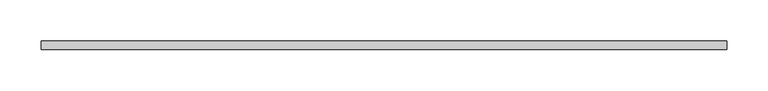
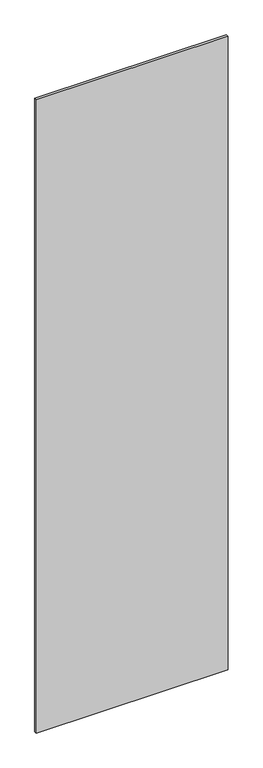
"""IFC4 building model written with IfcOpenShell, lengths in millimetres: plate geometry."""

from ifc_helpers import new_model, si_unit, origin, origin_with_axes, place, context, project, spatial, polyline, outline, extrude, source, transform, mapped, element, save


def plate_28587fd3(model_context):
    return source(origin(), model_context, "Body", "SweptSolid", [
        extrude(outline(polyline([(415.0, -5.0), (-415.0, -5.0), (-415.0, 5.0), (415.0, 5.0), (415.0, -5.0)])), origin_with_axes(), (0.0, 0.0, 1.0), 2895.0),
    ])


if __name__ == "__main__":
    model = new_model("IFC4")
    model_context = context("Model", 3, world=origin())
    ifc_project = project(units=[si_unit("LENGTHUNIT", "METRE", prefix="MILLI")], contexts=[model_context])
    site = spatial("IfcSite", under=ifc_project)
    building = spatial("IfcBuilding", under=site)
    placement = place(None, origin())
    plate_shape = plate_28587fd3(model_context)
    element("IfcPlate", 1, at=placement, inside=building, context=model_context, shape_type="MappedRepresentation", body=[
        mapped(plate_shape, transform((0.0, 0.0, 0.0), x_axis=(1.0, 0.0, 0.0), y_axis=(0.0, 1.0, 0.0), z_axis=(0.0, 0.0, 1.0))),
    ])
    save(model, "model.ifc")
